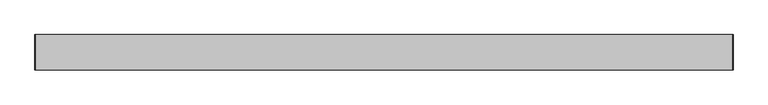
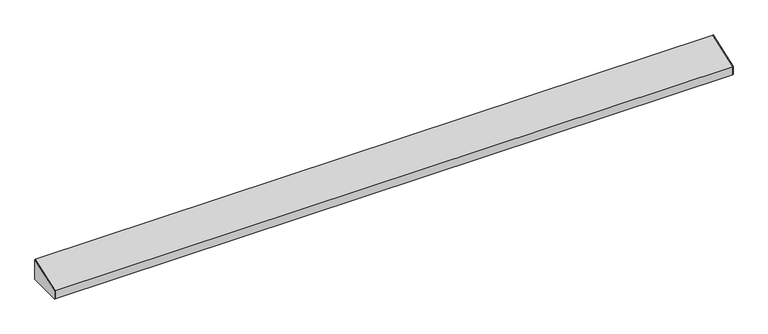
"""IFC4 building model written with IfcOpenShell, lengths in millimetres: furniture geometry."""

import ifcopenshell
import ifcopenshell.guid

model = None  # the IFC model being written
_history = None  # IfcOwnerHistory: only IFC2X3 demands one
_inside = {}  # id of a spatial element -> (the spatial element, [elements in it])
_under = {}  # id of a project, library or spatial element -> (it, [spatial elements below it])
_declared = {}  # id of a project -> (the project, [libraries it declares])
_typed = {}  # id of a type object -> (the type object, [elements of that type])
_made_of = {}  # id of a material, layer set ... -> (it, [elements and type objects made of it])


def new_model(schema):
    """Start an empty IFC model of exactly this schema.

    Asked for "IFC4X3", IfcOpenShell would pick the latest addendum, in which some entities
    have other attributes; the version numbers below select the first issue.
    IFC2X3 requires an IfcOwnerHistory on every rooted entity: one is made here for all.
    """
    global model, _history
    if schema == "IFC4X3":
        model = ifcopenshell.file(schema_version=(4, 3, 0, 0))
    else:
        model = ifcopenshell.file(schema=schema)
    _inside.clear()
    _under.clear()
    _declared.clear()
    _typed.clear()
    _made_of.clear()
    _history = None
    if model.schema == "IFC2X3":
        org = make("IfcOrganization", Name="unknown")
        user = make(
            "IfcPersonAndOrganization",
            ThePerson=make("IfcPerson", FamilyName="unknown"),
            TheOrganization=org,
        )
        app = make(
            "IfcApplication",
            ApplicationDeveloper=org,
            Version="unknown",
            ApplicationFullName="unknown",
            ApplicationIdentifier="unknown",
        )
        _history = make(
            "IfcOwnerHistory",
            OwningUser=user,
            OwningApplication=app,
            ChangeAction="ADDED",
            CreationDate=0,
        )
    return model


def make(cls, **values):
    """One entity of the class cls with the attributes given. An attribute that is None is left unset."""
    return model.create_entity(
        cls, **{name: value for name, value in values.items() if value is not None}
    )


def rooted(cls, **values):
    """An entity with a GlobalId (a new one), such as an element, a storey or a relation."""
    return make(cls, GlobalId=ifcopenshell.guid.new(), OwnerHistory=_history, **values)


def si_unit(unit_type, name, prefix=None):
    """IfcSIUnit, for example si_unit("LENGTHUNIT", "METRE", prefix="MILLI")."""
    return make("IfcSIUnit", UnitType=unit_type, Prefix=prefix, Name=name)


def assignment(units):
    """IfcUnitAssignment: the units of a project."""
    return None if units is None else make("IfcUnitAssignment", Units=units)


def point(xyz):
    """IfcCartesianPoint."""
    return None if xyz is None else make("IfcCartesianPoint", Coordinates=xyz)


def direction(xyz):
    """IfcDirection."""
    return None if xyz is None else make("IfcDirection", DirectionRatios=xyz)


def frame(location, z_axis=None, x_axis=None):
    """IfcAxis2Placement3D, a coordinate frame: its origin and axes. An axis left out is left unset."""
    return make(
        "IfcAxis2Placement3D",
        Location=point(location),
        Axis=direction(z_axis),
        RefDirection=direction(x_axis),
    )


def origin():
    """The frame at (0, 0, 0) with its axes left unset."""
    return frame((0.0, 0.0, 0.0))


def place(relative_to, where):
    """IfcLocalPlacement: puts the frame where relative to a parent placement (None: the world)."""
    return make(
        "IfcLocalPlacement", PlacementRelTo=relative_to, RelativePlacement=where
    )


def context(
    kind, dimensions, precision=None, world=None, true_north=None, identifier=None
):
    """IfcGeometricRepresentationContext, for example the 3D "Model" context."""
    return make(
        "IfcGeometricRepresentationContext",
        ContextIdentifier=identifier,
        ContextType=kind,
        CoordinateSpaceDimension=dimensions,
        Precision=precision,
        WorldCoordinateSystem=world,
        TrueNorth=true_north,
    )


def project(units=None, contexts=None):
    """IfcProject with its units and contexts."""
    return rooted(
        "IfcProject",
        Name="project",
        RepresentationContexts=contexts,
        UnitsInContext=assignment(units),
    )


def spatial(cls, under=None, at=None, **own):
    """A site, building, storey or space (cls), placed at a placement, below another one or the project."""
    s = rooted(cls, ObjectPlacement=at, **own)
    if under is not None:
        _under.setdefault(under.id(), (under, []))[1].append(s)
    return s


def polyline(points):
    """IfcPolyline through the points."""
    return make("IfcPolyline", Points=[point(p) for p in points])


def outline(outer, holes=None, kind="AREA"):
    """IfcArbitraryClosedProfileDef: a profile drawn as a closed curve; with holes, ...WithVoids."""
    if holes is None:
        return make("IfcArbitraryClosedProfileDef", ProfileType=kind, OuterCurve=outer)
    return make(
        "IfcArbitraryProfileDefWithVoids",
        ProfileType=kind,
        OuterCurve=outer,
        InnerCurves=holes,
    )


def extrude(swept, where, along, depth):
    """IfcExtrudedAreaSolid: the profile swept, set in the frame where, extruded along a direction by depth."""
    return make(
        "IfcExtrudedAreaSolid",
        SweptArea=swept,
        Position=where,
        ExtrudedDirection=direction(along),
        Depth=depth,
    )


def shape(context_of_items, identifier, shape_type, items):
    """IfcShapeRepresentation: the items that make up one representation, for example the "Body"."""
    return make(
        "IfcShapeRepresentation",
        ContextOfItems=context_of_items,
        RepresentationIdentifier=identifier,
        RepresentationType=shape_type,
        Items=items,
    )


def source(mapping_origin, context_of_items, identifier, shape_type, items):
    """IfcRepresentationMap: a shape defined once, which mapped items show again and again."""
    return make(
        "IfcRepresentationMap",
        MappingOrigin=mapping_origin,
        MappedRepresentation=shape(context_of_items, identifier, shape_type, items),
    )


def transform(
    local_origin,
    x_axis=None,
    y_axis=None,
    z_axis=None,
    scale=None,
    scale2=None,
    scale3=None,
    uniform=True,
):
    """IfcCartesianTransformationOperator3D, or its non-uniform kind. x_axis, y_axis, z_axis: its Axis1, 2, 3."""
    if uniform:
        return make(
            "IfcCartesianTransformationOperator3D",
            Axis1=direction(x_axis),
            Axis2=direction(y_axis),
            LocalOrigin=point(local_origin),
            Scale=scale,
            Axis3=direction(z_axis),
        )
    return make(
        "IfcCartesianTransformationOperator3DnonUniform",
        Axis1=direction(x_axis),
        Axis2=direction(y_axis),
        LocalOrigin=point(local_origin),
        Scale=scale,
        Axis3=direction(z_axis),
        Scale2=scale2,
        Scale3=scale3,
    )


def mapped(mapping_source, mapping_target):
    """IfcMappedItem: shows the shape of a source again, moved by a transform."""
    return make(
        "IfcMappedItem", MappingSource=mapping_source, MappingTarget=mapping_target
    )


def made_of(thing, what):
    """Note that an element or type object is made of a material, layer set ...; save() writes the relation."""
    if what is not None:
        _made_of.setdefault(what.id(), (what, []))[1].append(thing)
    return thing


def element(
    cls,
    number,
    at=None,
    inside=None,
    cuts=None,
    type_object=None,
    material=None,
    context=None,
    identifier="Body",
    shape_type=None,
    held_by="IfcProductDefinitionShape",
    body=None,
    shapes=None,
    **own,
):
    """One element of the class cls, such as IfcWall. Its Tag is "e" and its number.

    at: its placement. inside: the storey or other place that contains it. cuts: it is an
    opening in that element (IfcRelVoidsElement). A single representation is given by context,
    identifier, shape_type and body (its items); several are given by shapes. held_by: the class
    of the entity that holds the representations. save() writes the other relations.
    """
    e = rooted(cls, Tag="e%d" % number, ObjectPlacement=at, **own)
    if body is not None:
        shapes = [shape(context, identifier, shape_type, body)]
    if shapes is not None:
        e.Representation = make(held_by, Representations=shapes)
    if inside is not None:
        _inside.setdefault(inside.id(), (inside, []))[1].append(e)
    if cuts is not None:
        rooted(
            "IfcRelVoidsElement", RelatingBuildingElement=cuts, RelatedOpeningElement=e
        )
    if type_object is not None:
        _typed.setdefault(type_object.id(), (type_object, []))[1].append(e)
    return made_of(e, material)


def aggregate(whole, parts):
    """IfcRelAggregates: a whole, such as a stair, and the parts it consists of."""
    return rooted("IfcRelAggregates", RelatingObject=whole, RelatedObjects=parts)


def save(model, path):
    """Write the relations noted so far, then the file.

    IfcRelAggregates (storeys below a building ...), IfcRelContainedInSpatialStructure (elements
    in a storey), IfcRelDefinesByType, IfcRelAssociatesMaterial and IfcRelDeclares: one each for
    every whole, place, type object, material and project.
    """
    for whole, parts in _under.values():
        aggregate(whole, parts)
    for where, things in _inside.values():
        rooted(
            "IfcRelContainedInSpatialStructure",
            RelatedElements=things,
            RelatingStructure=where,
        )
    for kind, things in _typed.values():
        rooted("IfcRelDefinesByType", RelatedObjects=things, RelatingType=kind)
    for what, things in _made_of.values():
        rooted("IfcRelAssociatesMaterial", RelatedObjects=things, RelatingMaterial=what)
    for by, libraries in _declared.values():
        rooted("IfcRelDeclares", RelatingContext=by, RelatedDefinitions=libraries)
    model.write(path)


def furniture_e5adac4c(model_context):
    return source(origin(), model_context, "Body", "SweptSolid", [
        extrude(outline(polyline([(-97.4564663, 2121.3058766), (-21.2564662, 2148.5621875), (-21.2564662, 2102.5246875), (-97.4564662, 2102.5246875), (-97.4564663, 2121.3058766)])), frame((766.4502049, 0.0, 0.0), z_axis=(1.0, 0.0, 0.0), x_axis=(0.0, 1.0, 0.0)), (0.0, 0.0, 1.0), 0.79375),
        extrude(outline(polyline([(-21.2564662, 2102.5246875), (-97.4564662, 2102.5246875), (-97.4564662, 2121.3058766), (-21.2564662, 2148.5621875), (-21.2564662, 2102.5246875)])), frame((-729.7685451, 0.0, 0.0), z_axis=(1.0, 0.0, 0.0), x_axis=(0.0, 1.0, 0.0)), (0.0, 0.0, 1.0), 0.79375),
        extrude(outline(polyline([(-21.2564662, 2102.5246875), (-33.9564662, 2102.5246875), (-33.9564662, 2103.3184375), (-22.0502162, 2103.3184375), (-22.0502162, 2147.4795361), (-96.6627162, 2120.801028), (-96.6627162, 2103.3184375), (-84.7564662, 2103.3184375), (-84.7564662, 2102.5246875), (-97.4564662, 2102.5246875), (-97.4564662, 2121.3058766), (-21.2564662, 2148.5621875), (-21.2564662, 2102.5246875)])), frame((-728.9747951, 0.0, 0.0), z_axis=(1.0, 0.0, 0.0), x_axis=(0.0, 1.0, 0.0)), (0.0, 0.0, 1.0), 1495.425),
    ])


if __name__ == "__main__":
    model = new_model("IFC4")
    model_context = context("Model", 3, world=origin())
    ifc_project = project(units=[si_unit("LENGTHUNIT", "METRE", prefix="MILLI")], contexts=[model_context])
    site = spatial("IfcSite", under=ifc_project)
    building = spatial("IfcBuilding", under=site)
    placement = place(None, origin())
    furniture_shape = furniture_e5adac4c(model_context)
    element("IfcFurniture", 1, at=placement, inside=building, context=model_context, shape_type="MappedRepresentation", body=[
        mapped(furniture_shape, transform((0.0, 0.0, 0.0), x_axis=(1.0, 0.0, 0.0), y_axis=(0.0, 1.0, 0.0), z_axis=(0.0, 0.0, 1.0))),
    ])
    save(model, "model.ifc")
